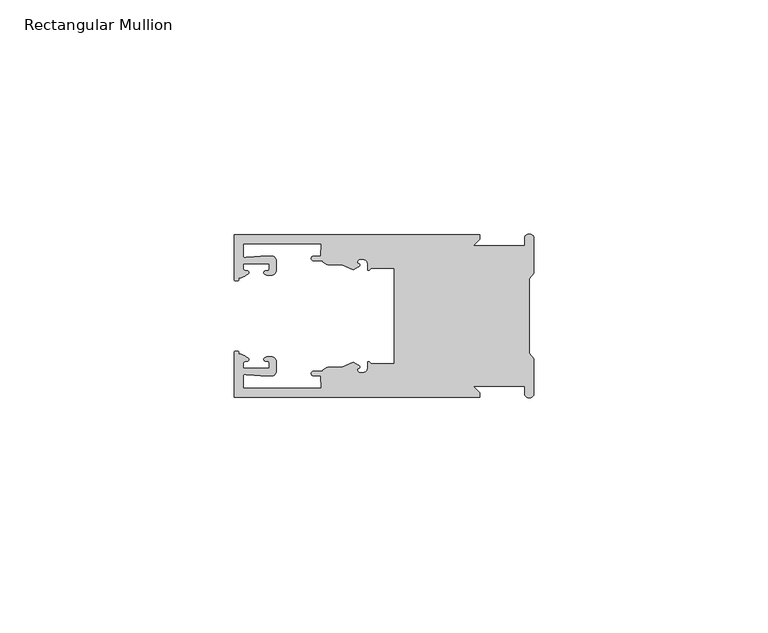
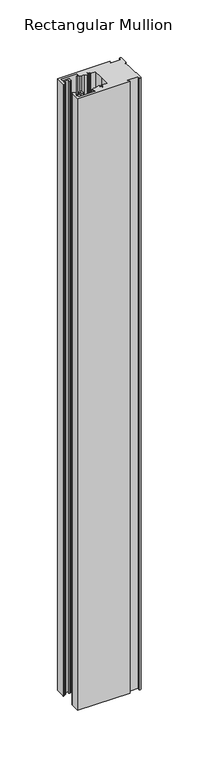
"""IFC4 building model written with IfcOpenShell, lengths in millimetres: member geometry, Rectangular Mullion."""

from ifc_helpers import new_model, si_unit, frame, origin, place, context, project, spatial, polyline, circle_curve, source, transform, mapped, element, save
from ifc_brep_helpers import plane_surface, cylinder_surface, revolved_surface, extruded_surface, spline_curve, advanced_brep


def rectangular_mullion_26142107(model_context):
    return source(origin(), model_context, "Body", "AdvancedBrep", [
        advanced_brep(
        [(-11.5387897, 17.4000478, 0.0), (-64.0387868, 17.4000478, 0.0), (-64.0387868, 7.8350057, 0.0), (-63.2884687, 7.5412947, 0.0), (-62.4614154, 8.1921895, 0.0), (-62.0410649, 9.9426451, 0.0), (-62.0424168, 11.1926444, 0.0), (-56.54242, 11.1985924, 0.0), (-56.5410682, 9.9485931, 0.0), (-57.1085345, 8.7314723, 0.0), (-56.0397166, 8.6991345, 0.0), (-55.0407987, 9.7002154, 0.0), (-55.0430697, 11.8002142, 0.0), (-56.0446364, 12.7991315, 0.0), (-58.3650753, 12.7954945, 0.0), (-61.1340054, 12.5502269, 0.0), (-62.044093, 12.7426435, 0.0), (-62.0469668, 15.4000478, 0.0), (-45.4240312, 15.4000478, 0.0), (-45.5732135, 12.8000478, 0.0), (-47.0387868, 12.8000478, 0.0), (-47.0387868, 11.8000478, 0.0), (-45.2543363, 11.8000478, 0.0), (-43.6387868, 10.9000478, 0.0), (-41.0454034, 10.9000478, 0.0), (-38.5697136, 9.8718293, 0.0), (-37.5387868, 10.4670351, 0.0), (-37.6803436, 11.4201497, 0.0), (-37.0270763, 12.1583697, 0.0), (-36.2010815, 12.0127245, 0.0), (-35.54, 11.2248783, 0.0), (-35.54, 10.0, 0.0), (-34.7705791, 10.25, 0.0), (-29.79, 10.25, 0.0), (-29.79, 0.0, 0.0), (-29.79, -10.25, 0.0), (-34.7705791, -10.25, 0.0), (-35.54, -10.0, 0.0), (-35.54, -11.2248783, 0.0), (-36.2010815, -12.0127245, 0.0), (-37.0270763, -12.1583697, 0.0), (-37.6803436, -11.4201497, 0.0), (-37.5387868, -10.4670351, 0.0), (-38.5697136, -9.8718293, 0.0), (-41.0454034, -10.9000478, 0.0), (-43.6387868, -10.9000478, 0.0), (-45.2543363, -11.8000478, 0.0), (-47.0387868, -11.8000478, 0.0), (-47.0387868, -12.8000478, 0.0), (-45.5732135, -12.8000478, 0.0), (-45.4240312, -15.4000478, 0.0), (-62.0469668, -15.4000478, 0.0), (-62.044093, -12.7426435, 0.0), (-61.1340054, -12.5502269, 0.0), (-58.3650753, -12.7954945, 0.0), (-56.0446364, -12.7991314, 0.0), (-55.0430697, -11.8002142, 0.0), (-55.0407987, -9.7002154, 0.0), (-56.0397166, -8.6991345, 0.0), (-57.1085345, -8.7314723, 0.0), (-56.5410682, -9.9485931, 0.0), (-56.54242, -11.1985924, 0.0), (-62.0424168, -11.1926444, 0.0), (-62.0410649, -9.9426451, 0.0), (-62.4614154, -8.1921895, 0.0), (-63.2884687, -7.5412947, 0.0), (-64.0387868, -7.8350057, 0.0), (-64.0387868, -17.4000478, 0.0), (-11.5387897, -17.4000478, 0.0), (-11.5387897, -16.4000449, 0.0), (-12.9388346, -15.0, 0.0), (-2.0, -15.0, 0.0), (-2.0, -16.5, 0.0), (0.0, -16.5, 0.0), (0.0, -9.1160254, 0.0), (-1.0, -7.9613249, 0.0), (-1.0, 0.0, 0.0), (-1.0, 7.9613249, 0.0), (0.0, 9.1160254, 0.0), (0.0, 16.5, 0.0), (-2.0, 16.5, 0.0), (-2.0, 15.0, 0.0), (-12.9388346, 15.0, 0.0), (-11.5387897, 16.4000449, 0.0), (-11.5387897, 17.4000478, -648.2387868), (-11.5387897, 16.4000449, -648.2387868), (-12.9388346, 15.0, -648.2387868), (-2.0, 15.0, -648.2387868), (-2.0, 16.5, -648.2387868), (0.0, 16.5, -648.2387868), (0.0, 9.1160254, -648.2387868), (-1.0, 7.9613249, -648.2387868), (-1.0, 0.0, -648.2387868), (-1.0, -7.9613249, -648.2387868), (0.0, -9.1160254, -648.2387868), (0.0, -16.5, -648.2387868), (-2.0, -16.5, -648.2387868), (-2.0, -15.0, -648.2387868), (-12.9388346, -15.0, -648.2387868), (-11.5387897, -16.4000449, -648.2387868), (-11.5387897, -17.4000478, -648.2387868), (-64.0387868, -17.4000478, -648.2387868), (-64.0387868, -7.8350057, -648.2387868), (-63.2884687, -7.5412947, -648.2387868), (-62.4614154, -8.1921895, -648.2387868), (-62.0410649, -9.9426451, -648.2387868), (-62.0424168, -11.1926444, -648.2387868), (-56.54242, -11.1985924, -648.2387868), (-56.5410682, -9.9485931, -648.2387868), (-57.1085345, -8.7314723, -648.2387868), (-56.0397166, -8.6991345, -648.2387868), (-55.0407987, -9.7002154, -648.2387868), (-55.0430697, -11.8002142, -648.2387868), (-56.0446364, -12.7991315, -648.2387868), (-58.3650753, -12.7954945, -648.2387868), (-61.1340054, -12.5502269, -648.2387868), (-62.044093, -12.7426435, -648.2387868), (-62.0469668, -15.4000478, -648.2387868), (-45.4240312, -15.4000478, -648.2387868), (-45.5732135, -12.8000478, -648.2387868), (-47.0387868, -12.8000478, -648.2387868), (-47.0387868, -11.8000478, -648.2387868), (-45.2543363, -11.8000478, -648.2387868), (-43.6387868, -10.9000478, -648.2387868), (-41.0454034, -10.9000478, -648.2387868), (-38.5697136, -9.8718293, -648.2387868), (-37.5387868, -10.4670351, -648.2387868), (-37.6803436, -11.4201497, -648.2387868), (-37.0270763, -12.1583697, -648.2387868), (-36.2010815, -12.0127245, -648.2387868), (-35.54, -11.2248783, -648.2387868), (-35.54, -10.0, -648.2387868), (-34.7705791, -10.25, -648.2387868), (-29.79, -10.25, -648.2387868), (-29.79, 0.0, -648.2387868), (-29.79, 10.25, -648.2387868), (-34.7705791, 10.25, -648.2387868), (-35.54, 10.0, -648.2387868), (-35.54, 11.2248783, -648.2387868), (-36.2010815, 12.0127245, -648.2387868), (-37.0270763, 12.1583697, -648.2387868), (-37.6803436, 11.4201497, -648.2387868), (-37.5387868, 10.4670351, -648.2387868), (-38.5697136, 9.8718293, -648.2387868), (-41.0454034, 10.9000478, -648.2387868), (-43.6387868, 10.9000478, -648.2387868), (-45.2543363, 11.8000478, -648.2387868), (-47.0387868, 11.8000478, -648.2387868), (-47.0387868, 12.8000478, -648.2387868), (-45.5732135, 12.8000478, -648.2387868), (-45.4240312, 15.4000478, -648.2387868), (-62.0469668, 15.4000478, -648.2387868), (-62.044093, 12.7426435, -648.2387868), (-61.1340054, 12.5502269, -648.2387868), (-58.3650753, 12.7954945, -648.2387868), (-56.0446364, 12.7991314, -648.2387868), (-55.0430697, 11.8002142, -648.2387868), (-55.0407987, 9.7002154, -648.2387868), (-56.0397166, 8.6991345, -648.2387868), (-57.1085345, 8.7314723, -648.2387868), (-56.5410682, 9.9485931, -648.2387868), (-56.54242, 11.1985924, -648.2387868), (-62.0424168, 11.1926444, -648.2387868), (-62.0410649, 9.9426451, -648.2387868), (-62.4614154, 8.1921895, -648.2387868), (-63.2884687, 7.5412947, -648.2387868), (-64.0387868, 7.8350057, -648.2387868), (-64.0387868, 17.4000478, -648.2387868)],
        [
            (0, 1),
            (1, 2),
            (2, 3, spline_curve(3, [(-64.0387868, 7.8350057, 0.0), (-64.038491377, 7.561831774, 0.0), (-63.788385325, 7.463928087, 0.0), (-63.2884687, 7.5412947, 0.0)], [4, 4], [0.0, 0.0019169337574178654])),
            (3, 4, spline_curve(3, [(-63.2884687, 7.5412947, 0.0), (-63.057760917, 7.582232011, 0.0), (-63.018445067, 7.725390894, 0.0), (-63.019925494, 8.056436881, 0.0), (-63.103444208, 8.236386866, 0.0), (-62.4614154, 8.1921895, 0.0)], [4, 2, 4], [0.0, 0.0010199524164107188, 0.0024874514725970356])),
            (4, 5, spline_curve(3, [(-62.4614154, 8.1921895, 0.0), (-60.988497673, 8.880962536, 0.0), (-60.794045122, 9.192776957, 0.0), (-60.949808078, 9.57023562, 0.0), (-61.145214014, 9.682771697, 0.0), (-61.665835706, 9.714019003, 0.0), (-61.965242574, 9.660891484, 0.0), (-62.0410649, 9.9426451, 0.0)], [4, 2, 2, 4], [0.0, 0.003269869179570428, 0.005490050486237203, 0.0073545767114364426])),
            (5, 6),
            (6, 7),
            (7, 8),
            (8, 9, spline_curve(3, [(-56.5410682, 9.9485931, 0.0), (-56.634838635, 9.597117104, 0.0), (-56.904956774, 9.698238818, 0.0), (-57.324171444, 9.731086209, 0.0), (-57.45969165, 9.646199885, 0.0), (-57.729003352, 9.346016011, 0.0), (-57.859492582, 9.113082158, 0.0), (-57.1085345, 8.7314723, 0.0)], [4, 2, 2, 4], [0.0, 0.001593963049934732, 0.0033360256320283306, 0.005339140673503943])),
            (9, 10),
            (10, 11, circle_curve(frame((-56.0407981, 9.699134, 0.0), z_axis=(0.0, 0.0, 1.0), x_axis=(0.0010814451158627505, -0.9999994152380598, 0.0)), 1.0)),
            (11, 12),
            (12, 13, circle_curve(frame((-56.0430691, 11.7991327, 0.0), z_axis=(0.0, 0.0, 1.0), x_axis=(0.0010814451158627505, -0.9999994152380598, 0.0)), 1.0)),
            (13, 14),
            (14, 15),
            (15, 16, spline_curve(3, [(-61.1340054, 12.5502269, 0.0), (-61.605485428, 12.508463911, 0.0), (-61.992111419, 12.303164326, 0.0), (-62.044093, 12.7426435, 0.0)], [4, 4], [0.0, 0.0014803385355886016])),
            (16, 17),
            (17, 18),
            (18, 19),
            (19, 20),
            (20, 21, circle_curve(frame((-47.0387868, 12.3000478, 0.0), z_axis=(0.0, 0.0, 1.0), x_axis=(0.0, -1.0, 0.0)), 0.5)),
            (21, 22),
            (22, 23, circle_curve(frame((-43.6387868, 12.8000478, 0.0), z_axis=(0.0, 0.0, 1.0), x_axis=(0.0, -1.0, 0.0)), 1.9)),
            (23, 24),
            (24, 25),
            (25, 26),
            (26, 27, spline_curve(3, [(-37.5387868, 10.4670351, 0.0), (-36.973919853, 10.833863985, 0.0), (-37.198159645, 11.135696286, 0.0), (-37.587892011, 11.260246073, 0.0), (-37.754584192, 11.180452419, 0.0), (-37.6803436, 11.4201497, 0.0)], [4, 2, 4], [0.0, 0.0019283703160353726, 0.003394584635652914])),
            (27, 28, circle_curve(frame((-37.0434863, 11.5147359, 0.0), z_axis=(0.0, 0.0, -1.0), x_axis=(0.0, -1.0, 0.0)), 0.643843)),
            (28, 29),
            (29, 30, circle_curve(frame((-36.34, 11.2248783, 0.0), z_axis=(0.0, 0.0, -1.0), x_axis=(0.0, -1.0, 0.0)), 0.8)),
            (30, 31),
            (31, 32, spline_curve(3, [(-35.54, 10.0, 0.0), (-35.440000238, 9.598293201, 0.0), (-35.183526594, 9.681626535, 0.0), (-34.7705791, 10.25, 0.0)], [4, 4], [0.0, 0.0027473296990141553])),
            (32, 33),
            (33, 34),
            (34, 35),
            (35, 36),
            (36, 37, spline_curve(3, [(-34.7705791, -10.25, 0.0), (-35.183526594, -9.681626535, 0.0), (-35.440000238, -9.598293201, 0.0), (-35.54, -10.0, 0.0)], [4, 4], [0.0, 0.0027473296990141553])),
            (37, 38),
            (38, 39, circle_curve(frame((-36.34, -11.2248783, 0.0), z_axis=(0.0, 0.0, -1.0), x_axis=(0.0, 1.0, 0.0)), 0.8)),
            (39, 40),
            (40, 41, circle_curve(frame((-37.0434863, -11.5147359, 0.0), z_axis=(0.0, 0.0, -1.0), x_axis=(0.0, 1.0, 0.0)), 0.643843)),
            (41, 42, spline_curve(3, [(-37.6803436, -11.4201497, 0.0), (-37.754584192, -11.180452419, 0.0), (-37.587892011, -11.260246073, 0.0), (-37.198159645, -11.135696286, 0.0), (-36.973919853, -10.833863985, 0.0), (-37.5387868, -10.4670351, 0.0)], [4, 2, 4], [0.0, 0.0014662143196175414, 0.003394584635652914])),
            (42, 43),
            (43, 44),
            (44, 45),
            (45, 46, circle_curve(frame((-43.6387868, -12.8000478, 0.0), z_axis=(0.0, 0.0, 1.0), x_axis=(0.0, 1.0, 0.0)), 1.9)),
            (46, 47),
            (47, 48, circle_curve(frame((-47.0387868, -12.3000478, 0.0), z_axis=(0.0, 0.0, 1.0), x_axis=(0.0, 1.0, 0.0)), 0.5)),
            (48, 49),
            (49, 50),
            (50, 51),
            (51, 52),
            (52, 53, spline_curve(3, [(-62.044093, -12.7426435, 0.0), (-61.992111419, -12.303164326, 0.0), (-61.605485428, -12.508463911, 0.0), (-61.1340054, -12.5502269, 0.0)], [4, 4], [0.0, 0.0014803385355886016])),
            (53, 54),
            (54, 55),
            (55, 56, circle_curve(frame((-56.0430691, -11.7991327, 0.0), z_axis=(0.0, 0.0, 1.0), x_axis=(0.001081445115855867, 0.9999994152380598, 0.0)), 1.0)),
            (56, 57),
            (57, 58, circle_curve(frame((-56.0407981, -9.699134, 0.0), z_axis=(0.0, 0.0, 1.0), x_axis=(0.001081445115855867, 0.9999994152380598, 0.0)), 1.0)),
            (58, 59),
            (59, 60, spline_curve(3, [(-57.1085345, -8.7314723, 0.0), (-57.859492582, -9.113082158, 0.0), (-57.729003352, -9.346016011, 0.0), (-57.45969165, -9.646199885, 0.0), (-57.324171444, -9.731086209, 0.0), (-56.904956774, -9.698238818, 0.0), (-56.634838635, -9.597117104, 0.0), (-56.5410682, -9.9485931, 0.0)], [4, 2, 2, 4], [0.0, 0.002003115041475612, 0.0037451776235692107, 0.005339140673503943])),
            (60, 61),
            (61, 62),
            (62, 63),
            (63, 64, spline_curve(3, [(-62.0410649, -9.9426451, 0.0), (-61.965242574, -9.660891484, 0.0), (-61.665835706, -9.714019003, 0.0), (-61.145214014, -9.682771697, 0.0), (-60.949808078, -9.57023562, 0.0), (-60.794045122, -9.192776957, 0.0), (-60.988497673, -8.880962536, 0.0), (-62.4614154, -8.1921895, 0.0)], [4, 2, 2, 4], [0.0, 0.0018645262251992395, 0.004084707531866015, 0.0073545767114364426])),
            (64, 65, spline_curve(3, [(-62.4614154, -8.1921895, 0.0), (-63.103444208, -8.236386866, 0.0), (-63.019925494, -8.056436881, 0.0), (-63.018445067, -7.725390894, 0.0), (-63.057760917, -7.582232011, 0.0), (-63.2884687, -7.5412947, 0.0)], [4, 2, 4], [0.0, 0.0014674990561863168, 0.0024874514725970356])),
            (65, 66, spline_curve(3, [(-63.2884687, -7.5412947, 0.0), (-63.788385325, -7.463928087, 0.0), (-64.038491377, -7.561831774, 0.0), (-64.0387868, -7.8350057, 0.0)], [4, 4], [0.0, 0.0019169337574178654])),
            (66, 67),
            (67, 68),
            (68, 69),
            (69, 70),
            (70, 71),
            (71, 72),
            (72, 73, circle_curve(frame((-1.0, -16.5, 0.0), z_axis=(0.0, 0.0, 1.0), x_axis=(0.0, 1.0, 0.0)), 1.0)),
            (73, 74),
            (74, 75),
            (75, 76),
            (76, 77),
            (77, 78),
            (78, 79),
            (79, 80, circle_curve(frame((-1.0, 16.5, 0.0), z_axis=(0.0, 0.0, 1.0), x_axis=(0.0, -1.0, 0.0)), 1.0)),
            (80, 81),
            (81, 82),
            (82, 83),
            (83, 0),
            (84, 85),
            (85, 86),
            (86, 87),
            (87, 88),
            (88, 89, circle_curve(frame((-1.0, 16.5, -648.2387868), z_axis=(0.0, 0.0, -1.0), x_axis=(0.0, -1.0, 0.0)), 1.0)),
            (89, 90),
            (90, 91),
            (91, 92),
            (92, 93),
            (93, 94),
            (94, 95),
            (95, 96, circle_curve(frame((-1.0, -16.5, -648.2387868), z_axis=(0.0, 0.0, -1.0), x_axis=(0.0, 1.0, 0.0)), 1.0)),
            (96, 97),
            (97, 98),
            (98, 99),
            (99, 100),
            (100, 101),
            (101, 102),
            (102, 103, spline_curve(3, [(-64.0387868, -7.8350057, -648.2387868), (-64.038491377, -7.561831774, -648.2387868), (-63.788385325, -7.463928087, -648.2387868), (-63.2884687, -7.5412947, -648.2387868)], [4, 4], [0.0, 0.0019169337574178654])),
            (103, 104, spline_curve(3, [(-63.2884687, -7.5412947, -648.2387868), (-63.057760917, -7.582232011, -648.2387868), (-63.018445067, -7.725390894, -648.2387868), (-63.019925494, -8.056436881, -648.2387868), (-63.103444208, -8.236386866, -648.2387868), (-62.4614154, -8.1921895, -648.2387868)], [4, 2, 4], [0.0, 0.0010199524164107188, 0.0024874514725970356])),
            (104, 105, spline_curve(3, [(-62.4614154, -8.1921895, -648.2387868), (-60.988497673, -8.880962536, -648.2387868), (-60.794045122, -9.192776957, -648.2387868), (-60.949808078, -9.57023562, -648.2387868), (-61.145214014, -9.682771697, -648.2387868), (-61.665835706, -9.714019003, -648.2387868), (-61.965242574, -9.660891484, -648.2387868), (-62.0410649, -9.9426451, -648.2387868)], [4, 2, 2, 4], [0.0, 0.003269869179570428, 0.005490050486237203, 0.0073545767114364426])),
            (105, 106),
            (106, 107),
            (107, 108),
            (108, 109, spline_curve(3, [(-56.5410682, -9.9485931, -648.2387868), (-56.634838635, -9.597117104, -648.2387868), (-56.904956774, -9.698238818, -648.2387868), (-57.324171444, -9.731086209, -648.2387868), (-57.45969165, -9.646199885, -648.2387868), (-57.729003352, -9.346016011, -648.2387868), (-57.859492582, -9.113082158, -648.2387868), (-57.1085345, -8.7314723, -648.2387868)], [4, 2, 2, 4], [0.0, 0.001593963049934732, 0.0033360256320283306, 0.005339140673503943])),
            (109, 110),
            (110, 111, circle_curve(frame((-56.0407981, -9.699134, -648.2387868), z_axis=(0.0, 0.0, -1.0), x_axis=(0.001081445115855867, 0.9999994152380598, 0.0)), 1.0)),
            (111, 112),
            (112, 113, circle_curve(frame((-56.0430691, -11.7991327, -648.2387868), z_axis=(0.0, 0.0, -1.0), x_axis=(0.001081445115855867, 0.9999994152380598, 0.0)), 1.0)),
            (113, 114),
            (114, 115),
            (115, 116, spline_curve(3, [(-61.1340054, -12.5502269, -648.2387868), (-61.605485428, -12.508463911, -648.2387868), (-61.992111419, -12.303164326, -648.2387868), (-62.044093, -12.7426435, -648.2387868)], [4, 4], [0.0, 0.0014803385355886016])),
            (116, 117),
            (117, 118),
            (118, 119),
            (119, 120),
            (120, 121, circle_curve(frame((-47.0387868, -12.3000478, -648.2387868), z_axis=(0.0, 0.0, -1.0), x_axis=(0.0, 1.0, 0.0)), 0.5)),
            (121, 122),
            (122, 123, circle_curve(frame((-43.6387868, -12.8000478, -648.2387868), z_axis=(0.0, 0.0, -1.0), x_axis=(0.0, 1.0, 0.0)), 1.9)),
            (123, 124),
            (124, 125),
            (125, 126),
            (126, 127, spline_curve(3, [(-37.5387868, -10.4670351, -648.2387868), (-36.973919853, -10.833863985, -648.2387868), (-37.198159645, -11.135696286, -648.2387868), (-37.587892011, -11.260246073, -648.2387868), (-37.754584192, -11.180452419, -648.2387868), (-37.6803436, -11.4201497, -648.2387868)], [4, 2, 4], [0.0, 0.0019283703160353726, 0.003394584635652914])),
            (127, 128, circle_curve(frame((-37.0434863, -11.5147359, -648.2387868), z_axis=(0.0, 0.0, 1.0), x_axis=(0.0, 1.0, 0.0)), 0.643843)),
            (128, 129),
            (129, 130, circle_curve(frame((-36.34, -11.2248783, -648.2387868), z_axis=(0.0, 0.0, 1.0), x_axis=(0.0, 1.0, 0.0)), 0.8)),
            (130, 131),
            (131, 132, spline_curve(3, [(-35.54, -10.0, -648.2387868), (-35.440000238, -9.598293201, -648.2387868), (-35.183526594, -9.681626535, -648.2387868), (-34.7705791, -10.25, -648.2387868)], [4, 4], [0.0, 0.0027473296990141553])),
            (132, 133),
            (133, 134),
            (134, 135),
            (135, 136),
            (136, 137, spline_curve(3, [(-34.7705791, 10.25, -648.2387868), (-35.183526594, 9.681626535, -648.2387868), (-35.440000238, 9.598293201, -648.2387868), (-35.54, 10.0, -648.2387868)], [4, 4], [0.0, 0.0027473296990141553])),
            (137, 138),
            (138, 139, circle_curve(frame((-36.34, 11.2248783, -648.2387868), z_axis=(0.0, 0.0, 1.0), x_axis=(0.0, -1.0, 0.0)), 0.8)),
            (139, 140),
            (140, 141, circle_curve(frame((-37.0434863, 11.5147359, -648.2387868), z_axis=(0.0, 0.0, 1.0), x_axis=(0.0, -1.0, 0.0)), 0.643843)),
            (141, 142, spline_curve(3, [(-37.6803436, 11.4201497, -648.2387868), (-37.754584192, 11.180452419, -648.2387868), (-37.587892011, 11.260246073, -648.2387868), (-37.198159645, 11.135696286, -648.2387868), (-36.973919853, 10.833863985, -648.2387868), (-37.5387868, 10.4670351, -648.2387868)], [4, 2, 4], [0.0, 0.0014662143196175414, 0.003394584635652914])),
            (142, 143),
            (143, 144),
            (144, 145),
            (145, 146, circle_curve(frame((-43.6387868, 12.8000478, -648.2387868), z_axis=(0.0, 0.0, -1.0), x_axis=(0.0, -1.0, 0.0)), 1.9)),
            (146, 147),
            (147, 148, circle_curve(frame((-47.0387868, 12.3000478, -648.2387868), z_axis=(0.0, 0.0, -1.0), x_axis=(0.0, -1.0, 0.0)), 0.5)),
            (148, 149),
            (149, 150),
            (150, 151),
            (151, 152),
            (152, 153, spline_curve(3, [(-62.044093, 12.7426435, -648.2387868), (-61.992111419, 12.303164326, -648.2387868), (-61.605485428, 12.508463911, -648.2387868), (-61.1340054, 12.5502269, -648.2387868)], [4, 4], [0.0, 0.0014803385355886016])),
            (153, 154),
            (154, 155),
            (155, 156, circle_curve(frame((-56.0430691, 11.7991327, -648.2387868), z_axis=(0.0, 0.0, -1.0), x_axis=(0.0010814451158627505, -0.9999994152380598, 0.0)), 1.0)),
            (156, 157),
            (157, 158, circle_curve(frame((-56.0407981, 9.699134, -648.2387868), z_axis=(0.0, 0.0, -1.0), x_axis=(0.0010814451158627505, -0.9999994152380598, 0.0)), 1.0)),
            (158, 159),
            (159, 160, spline_curve(3, [(-57.1085345, 8.7314723, -648.2387868), (-57.859492582, 9.113082158, -648.2387868), (-57.729003352, 9.346016011, -648.2387868), (-57.45969165, 9.646199885, -648.2387868), (-57.324171444, 9.731086209, -648.2387868), (-56.904956774, 9.698238818, -648.2387868), (-56.634838635, 9.597117104, -648.2387868), (-56.5410682, 9.9485931, -648.2387868)], [4, 2, 2, 4], [0.0, 0.002003115041475612, 0.0037451776235692107, 0.005339140673503943])),
            (160, 161),
            (161, 162),
            (162, 163),
            (163, 164, spline_curve(3, [(-62.0410649, 9.9426451, -648.2387868), (-61.965242574, 9.660891484, -648.2387868), (-61.665835706, 9.714019003, -648.2387868), (-61.145214014, 9.682771697, -648.2387868), (-60.949808078, 9.57023562, -648.2387868), (-60.794045122, 9.192776957, -648.2387868), (-60.988497673, 8.880962536, -648.2387868), (-62.4614154, 8.1921895, -648.2387868)], [4, 2, 2, 4], [0.0, 0.0018645262251992395, 0.004084707531866015, 0.0073545767114364426])),
            (164, 165, spline_curve(3, [(-62.4614154, 8.1921895, -648.2387868), (-63.103444208, 8.236386866, -648.2387868), (-63.019925494, 8.056436881, -648.2387868), (-63.018445067, 7.725390894, -648.2387868), (-63.057760917, 7.582232011, -648.2387868), (-63.2884687, 7.5412947, -648.2387868)], [4, 2, 4], [0.0, 0.0014674990561863168, 0.0024874514725970356])),
            (165, 166, spline_curve(3, [(-63.2884687, 7.5412947, -648.2387868), (-63.788385325, 7.463928087, -648.2387868), (-64.038491377, 7.561831774, -648.2387868), (-64.0387868, 7.8350057, -648.2387868)], [4, 4], [0.0, 0.0019169337574178654])),
            (166, 167),
            (167, 84),
            (0, 84),
            (167, 1),
            (166, 2),
            (165, 3),
            (164, 4),
            (163, 5),
            (162, 6),
            (161, 7),
            (160, 8),
            (159, 9),
            (158, 10),
            (157, 11),
            (156, 12),
            (155, 13),
            (154, 14),
            (153, 15),
            (152, 16),
            (151, 17),
            (150, 18),
            (149, 19),
            (148, 20),
            (147, 21),
            (146, 22),
            (145, 23),
            (144, 24),
            (143, 25),
            (142, 26),
            (141, 27),
            (140, 28),
            (139, 29),
            (138, 30),
            (137, 31),
            (136, 32),
            (135, 33),
            (134, 34),
            (133, 35),
            (132, 36),
            (131, 37),
            (130, 38),
            (129, 39),
            (128, 40),
            (127, 41),
            (126, 42),
            (125, 43),
            (124, 44),
            (123, 45),
            (122, 46),
            (121, 47),
            (120, 48),
            (119, 49),
            (118, 50),
            (117, 51),
            (116, 52),
            (115, 53),
            (114, 54),
            (113, 55),
            (112, 56),
            (111, 57),
            (110, 58),
            (109, 59),
            (108, 60),
            (107, 61),
            (106, 62),
            (105, 63),
            (104, 64),
            (103, 65),
            (102, 66),
            (101, 67),
            (100, 68),
            (99, 69),
            (98, 70),
            (97, 71),
            (96, 72),
            (95, 73),
            (94, 74),
            (93, 75),
            (92, 76),
            (91, 77),
            (90, 78),
            (89, 79),
            (88, 80),
            (87, 81),
            (86, 82),
            (85, 83),
        ],
        [
            plane_surface(frame((0.0, -66.3605898, 0.0), z_axis=(0.0, 0.0, 1.0), x_axis=(-1.0, 0.0, 0.0))),
            plane_surface(frame((0.0, -66.3605898, -648.2387868), z_axis=(0.0, 0.0, -1.0), x_axis=(-1.0, 0.0, 0.0))),
            plane_surface(frame((-11.5387897, 17.4000478, 0.0), z_axis=(0.0, 1.0, 0.0), x_axis=(0.0, 0.0, -1.0))),
            plane_surface(frame((-64.0387868, 17.4000478, 0.0), z_axis=(-1.0, 0.0, 0.0), x_axis=(0.0, 0.0, -1.0))),
            extruded_surface(spline_curve(3, [(-64.0387868, 7.8350057, -648.2387868), (-64.038491377, 7.561831774, -648.2387868), (-63.788385325, 7.463928087, -648.2387868), (-63.2884687, 7.5412947, -648.2387868)], [4, 4], [0.0, 0.0019169337574178654]), (0.0, 0.0, 648.2387868), 648.2387868),
            extruded_surface(spline_curve(3, [(-63.2884687, 7.5412947, -648.2387868), (-63.057760917, 7.582232011, -648.2387868), (-63.018445067, 7.725390894, -648.2387868), (-63.019925494, 8.056436881, -648.2387868), (-63.103444208, 8.236386866, -648.2387868), (-62.4614154, 8.1921895, -648.2387868)], [4, 2, 4], [0.0, 0.0010199524164107188, 0.0024874514725970356]), (0.0, 0.0, 648.2387868), 648.2387868),
            extruded_surface(spline_curve(3, [(-62.4614154, 8.1921895, -648.2387868), (-60.988497673, 8.880962536, -648.2387868), (-60.794045122, 9.192776957, -648.2387868), (-60.949808078, 9.57023562, -648.2387868), (-61.145214014, 9.682771697, -648.2387868), (-61.665835706, 9.714019003, -648.2387868), (-61.965242574, 9.660891484, -648.2387868), (-62.0410649, 9.9426451, -648.2387868)], [4, 2, 2, 4], [0.0, 0.003269869179570428, 0.005490050486237203, 0.0073545767114364426]), (0.0, 0.0, 648.2387868), 648.2387868),
            plane_surface(frame((-62.0410649, 9.9426451, 0.0), z_axis=(0.9999994152380598, 0.0010814451158593665, 0.0), x_axis=(0.0, 0.0, -1.0))),
            plane_surface(frame((-62.0424168, 11.1926444, 0.0), z_axis=(0.0010814451158611391, -0.9999994152380598, 0.0), x_axis=(0.0, 0.0, -1.0))),
            plane_surface(frame((-56.54242, 11.1985924, 0.0), z_axis=(-0.9999994152380598, -0.0010814451158584516, 0.0), x_axis=(0.0, 0.0, -1.0))),
            extruded_surface(spline_curve(3, [(-56.5410682, 9.9485931, -648.2387868), (-56.634838635, 9.597117104, -648.2387868), (-56.904956774, 9.698238818, -648.2387868), (-57.324171444, 9.731086209, -648.2387868), (-57.45969165, 9.646199885, -648.2387868), (-57.729003352, 9.346016011, -648.2387868), (-57.859492582, 9.113082158, -648.2387868), (-57.1085345, 8.7314723, -648.2387868)], [4, 2, 2, 4], [0.0, 0.001593963049934732, 0.0033360256320283306, 0.005339140673503943]), (0.0, 0.0, 648.2387868), 648.2387868),
            plane_surface(frame((-57.1085345, 8.7314723, 0.0), z_axis=(-0.030241832452869922, -0.9995426111826813, 0.0), x_axis=(0.0, 0.0, -1.0))),
            cylinder_surface(frame((-56.0407981, 9.699134, 0.0), z_axis=(0.0, 0.0, 1.0000000000000002), x_axis=(0.0010814451158627505, -0.9999994152380598, 0.0)), 1.0),
            plane_surface(frame((-55.0407987, 9.7002154, 0.0), z_axis=(0.9999994152380598, 0.001081445115858722, 0.0), x_axis=(0.0, 0.0, -1.0))),
            cylinder_surface(frame((-56.0430691, 11.7991327, 0.0), z_axis=(0.0, 0.0, 1.0000000000000002), x_axis=(0.0010814451158627505, -0.9999994152380598, 0.0)), 1.0),
            plane_surface(frame((-56.0446364, 12.7991314, 0.0), z_axis=(-0.0015673183327907744, 0.9999987717558677, 0.0), x_axis=(0.0, 0.0, -1.0))),
            plane_surface(frame((-58.3650753, 12.7954945, 0.0), z_axis=(-0.08823302167299531, 0.9960998614026874, 0.0), x_axis=(0.0, 0.0, -1.0))),
            extruded_surface(spline_curve(3, [(-61.1340054, 12.5502269, -648.2387868), (-61.605485428, 12.508463911, -648.2387868), (-61.992111419, 12.303164326, -648.2387868), (-62.044093, 12.7426435, -648.2387868)], [4, 4], [0.0, 0.0014803385355886016]), (0.0, 0.0, 648.2387868), 648.2387868),
            plane_surface(frame((-62.044093, 12.7426435, 0.0), z_axis=(0.9999994152380598, 0.0010814451158597813, 0.0), x_axis=(0.0, 0.0, -1.0))),
            plane_surface(frame((-62.0469668, 15.4000478, 0.0), z_axis=(0.0, -1.0, 0.0), x_axis=(0.0, 0.0, -1.0))),
            plane_surface(frame((-45.4240312, 15.4000478, 0.0), z_axis=(-0.9983579461523547, 0.05728360458675776, 0.0), x_axis=(0.0, 0.0, -1.0))),
            plane_surface(frame((-45.5732135, 12.8000478, 0.0), z_axis=(0.0, 1.0, 0.0), x_axis=(0.0, 0.0, -1.0))),
            cylinder_surface(frame((-47.0387868, 12.3000478, 0.0), z_axis=(0.0, 0.0, 1.0), x_axis=(0.0, -1.0, 0.0)), 0.5),
            plane_surface(frame((-47.0387868, 11.8000478, 0.0), z_axis=(0.0, -1.0, 0.0), x_axis=(0.0, 0.0, -1.0))),
            cylinder_surface(frame((-43.6387868, 12.8000478, 0.0), z_axis=(0.0, 0.0, 1.0), x_axis=(0.0, -1.0, 0.0)), 1.9),
            plane_surface(frame((-43.6387868, 10.9000478, 0.0), z_axis=(0.0, -1.0, 0.0), x_axis=(0.0, 0.0, -1.0))),
            plane_surface(frame((-41.0454034, 10.9000478, 0.0), z_axis=(-0.3835602140750569, -0.9235158700199453, 0.0), x_axis=(0.0, 0.0, -1.0))),
            plane_surface(frame((-38.5697136, 9.8718293, 0.0), z_axis=(0.5000000000252295, -0.8660254037698725, 0.0), x_axis=(0.0, 0.0, -1.0))),
            extruded_surface(spline_curve(3, [(-37.5387868, 10.4670351, -648.2387868), (-36.973919853, 10.833863985, -648.2387868), (-37.198159645, 11.135696286, -648.2387868), (-37.587892011, 11.260246073, -648.2387868), (-37.754584192, 11.180452419, -648.2387868), (-37.6803436, 11.4201497, -648.2387868)], [4, 2, 4], [0.0, 0.0019283703160353726, 0.003394584635652914]), (0.0, 0.0, 648.2387868), 648.2387868),
            revolved_surface(polyline([(-37.0434863, 10.8708929, -648.2387868), (-37.0434863, 10.8708929, 0.0)]), (-37.0434863, 11.5147359, 0.0), (0.0, 0.0, -1.0)),
            plane_surface(frame((-37.0270763, 12.1583697, 0.0), z_axis=(-0.17364817767050408, -0.984807753011578, 0.0), x_axis=(0.0, 0.0, -1.0))),
            revolved_surface(polyline([(-36.34, 10.4248783, -648.2387868), (-36.34, 10.4248783, 0.0)]), (-36.34, 11.2248783, 0.0), (0.0, 0.0, -1.0)),
            plane_surface(frame((-35.54, 11.2248783, 0.0), z_axis=(-1.0, 0.0, 0.0), x_axis=(0.0, 0.0, -1.0))),
            extruded_surface(spline_curve(3, [(-35.54, 10.0, -648.2387868), (-35.440000238, 9.598293201, -648.2387868), (-35.183526594, 9.681626535, -648.2387868), (-34.7705791, 10.25, -648.2387868)], [4, 4], [0.0, 0.0027473296990141553]), (0.0, 0.0, 648.2387868), 648.2387868),
            plane_surface(frame((-34.7705791, 10.25, 0.0), z_axis=(0.0, -1.0, 0.0), x_axis=(0.0, 0.0, -1.0))),
            plane_surface(frame((-29.79, 10.25, 0.0), z_axis=(-1.0, 0.0, 0.0), x_axis=(0.0, 0.0, -1.0))),
            plane_surface(frame((-29.79, 0.0, 0.0), z_axis=(-1.0, 0.0, 0.0), x_axis=(0.0, 0.0, -1.0))),
            plane_surface(frame((-29.79, -10.25, 0.0), z_axis=(0.0, 1.0, 0.0), x_axis=(0.0, 0.0, -1.0))),
            extruded_surface(spline_curve(3, [(-34.7705791, -10.25, -648.2387868), (-35.183526594, -9.681626535, -648.2387868), (-35.440000238, -9.598293201, -648.2387868), (-35.54, -10.0, -648.2387868)], [4, 4], [0.0, 0.0027473296990141553]), (0.0, 0.0, 648.2387868), 648.2387868),
            plane_surface(frame((-35.54, -10.0, 0.0), z_axis=(-1.0, 0.0, 0.0), x_axis=(0.0, 0.0, -1.0))),
            revolved_surface(polyline([(-36.34, -10.4248783, -648.2387868), (-36.34, -10.4248783, 0.0)]), (-36.34, -11.2248783, 0.0), (0.0, 0.0, -1.0)),
            plane_surface(frame((-36.2010815, -12.0127245, 0.0), z_axis=(-0.17364817767051083, 0.9848077530115767, 0.0), x_axis=(0.0, 0.0, -1.0))),
            revolved_surface(polyline([(-37.0434863, -10.8708929, -648.2387868), (-37.0434863, -10.8708929, 0.0)]), (-37.0434863, -11.5147359, 0.0), (0.0, 0.0, -1.0)),
            extruded_surface(spline_curve(3, [(-37.6803436, -11.4201497, -648.2387868), (-37.754584192, -11.180452419, -648.2387868), (-37.587892011, -11.260246073, -648.2387868), (-37.198159645, -11.135696286, -648.2387868), (-36.973919853, -10.833863985, -648.2387868), (-37.5387868, -10.4670351, -648.2387868)], [4, 2, 4], [0.0, 0.0014662143196175414, 0.003394584635652914]), (0.0, 0.0, 648.2387868), 648.2387868),
            plane_surface(frame((-37.5387868, -10.4670351, 0.0), z_axis=(0.5000000000252234, 0.8660254037698759, 0.0), x_axis=(0.0, 0.0, -1.0))),
            plane_surface(frame((-38.5697136, -9.8718293, 0.0), z_axis=(-0.38356021407506324, 0.9235158700199426, 0.0), x_axis=(0.0, 0.0, -1.0))),
            plane_surface(frame((-41.0454034, -10.9000478, 0.0), z_axis=(0.0, 1.0, 0.0), x_axis=(0.0, 0.0, -1.0))),
            cylinder_surface(frame((-43.6387868, -12.8000478, 0.0), z_axis=(0.0, 0.0, 1.0), x_axis=(0.0, 1.0, 0.0)), 1.9),
            plane_surface(frame((-45.2543363, -11.8000478, 0.0), z_axis=(0.0, 1.0, 0.0), x_axis=(0.0, 0.0, -1.0))),
            cylinder_surface(frame((-47.0387868, -12.3000478, 0.0), z_axis=(0.0, 0.0, 1.0), x_axis=(0.0, 1.0, 0.0)), 0.5),
            plane_surface(frame((-47.0387868, -12.8000478, 0.0), z_axis=(0.0, -1.0, 0.0), x_axis=(0.0, 0.0, -1.0))),
            plane_surface(frame((-45.5732135, -12.8000478, 0.0), z_axis=(-0.9983579461523543, -0.05728360458676463, 0.0), x_axis=(0.0, 0.0, -1.0))),
            plane_surface(frame((-45.4240312, -15.4000478, 0.0), z_axis=(0.0, 1.0, 0.0), x_axis=(0.0, 0.0, -1.0))),
            plane_surface(frame((-62.0469668, -15.4000478, 0.0), z_axis=(0.9999994152380598, -0.001081445115852898, 0.0), x_axis=(0.0, 0.0, -1.0))),
            extruded_surface(spline_curve(3, [(-62.044093, -12.7426435, -648.2387868), (-61.992111419, -12.303164326, -648.2387868), (-61.605485428, -12.508463911, -648.2387868), (-61.1340054, -12.5502269, -648.2387868)], [4, 4], [0.0, 0.0014803385355886016]), (0.0, 0.0, 648.2387868), 648.2387868),
            plane_surface(frame((-61.1340054, -12.5502269, 0.0), z_axis=(-0.08823302167298844, -0.9960998614026879, 0.0), x_axis=(0.0, 0.0, -1.0))),
            plane_surface(frame((-58.3650753, -12.7954945, 0.0), z_axis=(-0.001567318332783891, -0.9999987717558677, 0.0), x_axis=(0.0, 0.0, -1.0))),
            cylinder_surface(frame((-56.0430691, -11.7991327, 0.0), z_axis=(0.0, 0.0, 1.0000000000000002), x_axis=(0.001081445115855867, 0.9999994152380598, 0.0)), 1.0),
            plane_surface(frame((-55.0430697, -11.8002142, 0.0), z_axis=(0.9999994152380598, -0.0010814451158518386, 0.0), x_axis=(0.0, 0.0, -1.0))),
            cylinder_surface(frame((-56.0407981, -9.699134, 0.0), z_axis=(0.0, 0.0, 1.0000000000000002), x_axis=(0.001081445115855867, 0.9999994152380598, 0.0)), 1.0),
            plane_surface(frame((-56.0397166, -8.6991345, 0.0), z_axis=(-0.030241832452876805, 0.9995426111826811, 0.0), x_axis=(0.0, 0.0, -1.0))),
            extruded_surface(spline_curve(3, [(-57.1085345, -8.7314723, -648.2387868), (-57.859492582, -9.113082158, -648.2387868), (-57.729003352, -9.346016011, -648.2387868), (-57.45969165, -9.646199885, -648.2387868), (-57.324171444, -9.731086209, -648.2387868), (-56.904956774, -9.698238818, -648.2387868), (-56.634838635, -9.597117104, -648.2387868), (-56.5410682, -9.9485931, -648.2387868)], [4, 2, 2, 4], [0.0, 0.002003115041475612, 0.0037451776235692107, 0.005339140673503943]), (0.0, 0.0, 648.2387868), 648.2387868),
            plane_surface(frame((-56.5410682, -9.9485931, 0.0), z_axis=(-0.9999994152380598, 0.0010814451158515682, 0.0), x_axis=(0.0, 0.0, -1.0))),
            plane_surface(frame((-56.54242, -11.1985924, 0.0), z_axis=(0.0010814451158542558, 0.9999994152380598, 0.0), x_axis=(0.0, 0.0, -1.0))),
            plane_surface(frame((-62.0424168, -11.1926444, 0.0), z_axis=(0.9999994152380598, -0.001081445115852483, 0.0), x_axis=(0.0, 0.0, -1.0))),
            extruded_surface(spline_curve(3, [(-62.0410649, -9.9426451, -648.2387868), (-61.965242574, -9.660891484, -648.2387868), (-61.665835706, -9.714019003, -648.2387868), (-61.145214014, -9.682771697, -648.2387868), (-60.949808078, -9.57023562, -648.2387868), (-60.794045122, -9.192776957, -648.2387868), (-60.988497673, -8.880962536, -648.2387868), (-62.4614154, -8.1921895, -648.2387868)], [4, 2, 2, 4], [0.0, 0.0018645262251992395, 0.004084707531866015, 0.0073545767114364426]), (0.0, 0.0, 648.2387868), 648.2387868),
            extruded_surface(spline_curve(3, [(-62.4614154, -8.1921895, -648.2387868), (-63.103444208, -8.236386866, -648.2387868), (-63.019925494, -8.056436881, -648.2387868), (-63.018445067, -7.725390894, -648.2387868), (-63.057760917, -7.582232011, -648.2387868), (-63.2884687, -7.5412947, -648.2387868)], [4, 2, 4], [0.0, 0.0014674990561863168, 0.0024874514725970356]), (0.0, 0.0, 648.2387868), 648.2387868),
            extruded_surface(spline_curve(3, [(-63.2884687, -7.5412947, -648.2387868), (-63.788385325, -7.463928087, -648.2387868), (-64.038491377, -7.561831774, -648.2387868), (-64.0387868, -7.8350057, -648.2387868)], [4, 4], [0.0, 0.0019169337574178654]), (0.0, 0.0, 648.2387868), 648.2387868),
            plane_surface(frame((-64.0387868, -7.8350057, 0.0), z_axis=(-1.0, 0.0, 0.0), x_axis=(0.0, 0.0, -1.0))),
            plane_surface(frame((-64.0387868, -17.4000478, 0.0), z_axis=(0.0, -1.0, 0.0), x_axis=(0.0, 0.0, -1.0))),
            plane_surface(frame((-11.5387897, -17.4000478, 0.0), z_axis=(1.0, 0.0, 0.0), x_axis=(0.0, 0.0, -1.0))),
            plane_surface(frame((-11.5387897, -16.4000449, 0.0), z_axis=(0.7071067811865457, 0.7071067811865493, 0.0), x_axis=(0.0, 0.0, -1.0))),
            plane_surface(frame((-12.9388346, -15.0, 0.0), z_axis=(0.0, -1.0, 0.0), x_axis=(0.0, 0.0, -1.0))),
            plane_surface(frame((-2.0, -15.0, 0.0), z_axis=(-1.0, 0.0, 0.0), x_axis=(0.0, 0.0, -1.0))),
            cylinder_surface(frame((-1.0, -16.5, 0.0), z_axis=(0.0, 0.0, 1.0), x_axis=(0.0, 1.0, 0.0)), 1.0),
            plane_surface(frame((0.0, -16.5, 0.0), z_axis=(1.0, 0.0, 0.0), x_axis=(0.0, 0.0, -1.0))),
            plane_surface(frame((0.0, -9.1160254, 0.0), z_axis=(0.7559289460231527, 0.6546536707025522, 0.0), x_axis=(0.0, 0.0, -1.0))),
            plane_surface(frame((-1.0, -7.9613249, 0.0), z_axis=(1.0, 0.0, 0.0), x_axis=(0.0, 0.0, -1.0))),
            plane_surface(frame((-1.0, 0.0, 0.0), z_axis=(1.0, 0.0, 0.0), x_axis=(0.0, 0.0, -1.0))),
            plane_surface(frame((-1.0, 7.9613249, 0.0), z_axis=(0.7559289460231571, -0.654653670702547, 0.0), x_axis=(0.0, 0.0, -1.0))),
            plane_surface(frame((0.0, 9.1160254, 0.0), z_axis=(1.0, 0.0, 0.0), x_axis=(0.0, 0.0, -1.0))),
            cylinder_surface(frame((-1.0, 16.5, 0.0), z_axis=(0.0, 0.0, 1.0), x_axis=(0.0, -1.0, 0.0)), 1.0),
            plane_surface(frame((-2.0, 16.5, 0.0), z_axis=(-1.0, 0.0, 0.0), x_axis=(0.0, 0.0, -1.0))),
            plane_surface(frame((-2.0, 15.0, 0.0), z_axis=(0.0, 1.0, 0.0), x_axis=(0.0, 0.0, -1.0))),
            plane_surface(frame((-12.9388346, 15.0, 0.0), z_axis=(0.7071067811865507, -0.7071067811865446, 0.0), x_axis=(0.0, 0.0, -1.0))),
            plane_surface(frame((-11.5387897, 16.4000449, 0.0), z_axis=(1.0, 0.0, 0.0), x_axis=(0.0, 0.0, -1.0))),
        ],
        [
            (0, [[1, 2, 3, 4, 5, 6, 7, 8, 9, 10, 11, 12, 13, 14, 15, 16, 17, 18, 19, 20, 21, 22, 23, 24, 25, 26, 27, 28, 29, 30, 31, 32, 33, 34, 35, 36, 37, 38, 39, 40, 41, 42, 43, 44, 45, 46, 47, 48, 49, 50, 51, 52, 53, 54, 55, 56, 57, 58, 59, 60, 61, 62, 63, 64, 65, 66, 67, 68, 69, 70, 71, 72, 73, 74, 75, 76, 77, 78, 79, 80, 81, 82, 83, 84]]),
            (1, [[85, 86, 87, 88, 89, 90, 91, 92, 93, 94, 95, 96, 97, 98, 99, 100, 101, 102, 103, 104, 105, 106, 107, 108, 109, 110, 111, 112, 113, 114, 115, 116, 117, 118, 119, 120, 121, 122, 123, 124, 125, 126, 127, 128, 129, 130, 131, 132, 133, 134, 135, 136, 137, 138, 139, 140, 141, 142, 143, 144, 145, 146, 147, 148, 149, 150, 151, 152, 153, 154, 155, 156, 157, 158, 159, 160, 161, 162, 163, 164, 165, 166, 167, 168]]),
            (2, [[-1, 169, -168, 170]]),
            (3, [[-2, -170, -167, 171]]),
            (4, [[-3, -171, -166, 172]]),
            (5, [[-4, -172, -165, 173]]),
            (6, [[-5, -173, -164, 174]]),
            (7, [[-6, -174, -163, 175]]),
            (8, [[-7, -175, -162, 176]]),
            (9, [[-8, -176, -161, 177]]),
            (10, [[-9, -177, -160, 178]]),
            (11, [[-10, -178, -159, 179]]),
            (12, [[-11, -179, -158, 180]]),
            (13, [[-12, -180, -157, 181]]),
            (14, [[-13, -181, -156, 182]]),
            (15, [[-14, -182, -155, 183]]),
            (16, [[-15, -183, -154, 184]]),
            (17, [[-16, -184, -153, 185]]),
            (18, [[-17, -185, -152, 186]]),
            (19, [[-18, -186, -151, 187]]),
            (20, [[-19, -187, -150, 188]]),
            (21, [[-20, -188, -149, 189]]),
            (22, [[-21, -189, -148, 190]]),
            (23, [[-22, -190, -147, 191]]),
            (24, [[-23, -191, -146, 192]]),
            (25, [[-24, -192, -145, 193]]),
            (26, [[-25, -193, -144, 194]]),
            (27, [[-26, -194, -143, 195]]),
            (28, [[-27, -195, -142, 196]]),
            (29, [[-28, -196, -141, 197]]),
            (30, [[-29, -197, -140, 198]]),
            (31, [[-30, -198, -139, 199]]),
            (32, [[-31, -199, -138, 200]]),
            (33, [[-32, -200, -137, 201]]),
            (34, [[-33, -201, -136, 202]]),
            (35, [[-34, -202, -135, 203]]),
            (36, [[-35, -203, -134, 204]]),
            (37, [[-36, -204, -133, 205]]),
            (38, [[-37, -205, -132, 206]]),
            (39, [[-38, -206, -131, 207]]),
            (40, [[-39, -207, -130, 208]]),
            (41, [[-40, -208, -129, 209]]),
            (42, [[-41, -209, -128, 210]]),
            (43, [[-42, -210, -127, 211]]),
            (44, [[-43, -211, -126, 212]]),
            (45, [[-44, -212, -125, 213]]),
            (46, [[-45, -213, -124, 214]]),
            (47, [[-46, -214, -123, 215]]),
            (48, [[-47, -215, -122, 216]]),
            (49, [[-48, -216, -121, 217]]),
            (50, [[-49, -217, -120, 218]]),
            (51, [[-50, -218, -119, 219]]),
            (52, [[-51, -219, -118, 220]]),
            (53, [[-52, -220, -117, 221]]),
            (54, [[-53, -221, -116, 222]]),
            (55, [[-54, -222, -115, 223]]),
            (56, [[-55, -223, -114, 224]]),
            (57, [[-56, -224, -113, 225]]),
            (58, [[-57, -225, -112, 226]]),
            (59, [[-58, -226, -111, 227]]),
            (60, [[-59, -227, -110, 228]]),
            (61, [[-60, -228, -109, 229]]),
            (62, [[-61, -229, -108, 230]]),
            (63, [[-62, -230, -107, 231]]),
            (64, [[-63, -231, -106, 232]]),
            (65, [[-64, -232, -105, 233]]),
            (66, [[-65, -233, -104, 234]]),
            (67, [[-66, -234, -103, 235]]),
            (68, [[-67, -235, -102, 236]]),
            (69, [[-68, -236, -101, 237]]),
            (70, [[-69, -237, -100, 238]]),
            (71, [[-70, -238, -99, 239]]),
            (72, [[-71, -239, -98, 240]]),
            (73, [[-72, -240, -97, 241]]),
            (74, [[-73, -241, -96, 242]]),
            (75, [[-74, -242, -95, 243]]),
            (76, [[-75, -243, -94, 244]]),
            (77, [[-76, -244, -93, 245]]),
            (78, [[-77, -245, -92, 246]]),
            (79, [[-78, -246, -91, 247]]),
            (80, [[-79, -247, -90, 248]]),
            (81, [[-80, -248, -89, 249]]),
            (82, [[-81, -249, -88, 250]]),
            (83, [[-82, -250, -87, 251]]),
            (84, [[-83, -251, -86, 252]]),
            (85, [[-84, -252, -85, -169]]),
        ],
    ),
    ])


if __name__ == "__main__":
    model = new_model("IFC4")
    model_context = context("Model", 3, world=origin())
    ifc_project = project(units=[si_unit("LENGTHUNIT", "METRE", prefix="MILLI")], contexts=[model_context])
    site = spatial("IfcSite", under=ifc_project)
    building = spatial("IfcBuilding", under=site)
    placement = place(None, origin())
    rectangular_mullion_shape = rectangular_mullion_26142107(model_context)
    element("IfcMember", 1, ObjectType="Rectangular Mullion", at=placement, inside=building, context=model_context, shape_type="MappedRepresentation", body=[
        mapped(rectangular_mullion_shape, transform((0.0, 0.0, 0.0), x_axis=(1.0, 0.0, 0.0), y_axis=(0.0, 1.0, 0.0), z_axis=(0.0, 0.0, 1.0))),
    ])
    save(model, "model.ifc")
